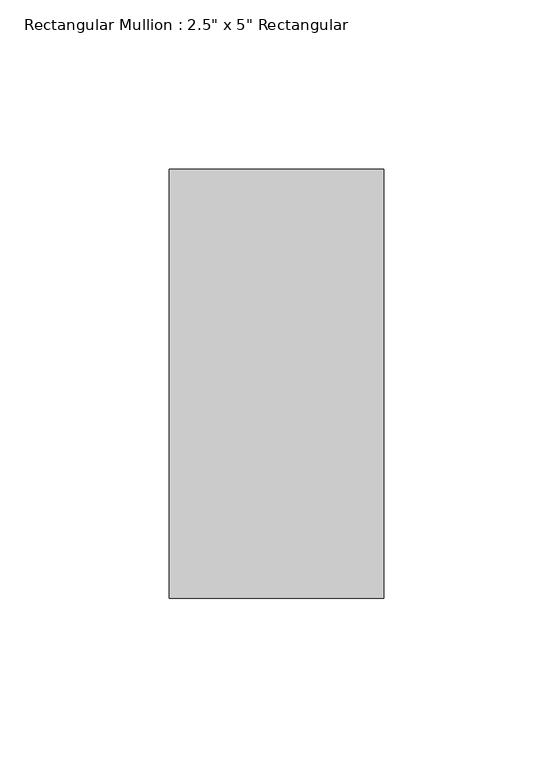
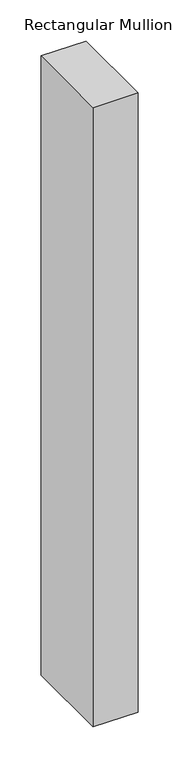
"""IFC4 building model written with IfcOpenShell, lengths in millimetres: member geometry."""

from ifc_helpers import new_model, si_unit, frame, origin, place, context, project, spatial, polyline, outline, extrude, source, transform, mapped, element, save


def member_84e9fdd5(model_context):
    return source(origin(), model_context, "Body", "SweptSolid", [
        extrude(outline(polyline([(31.75, 63.5), (31.75, -63.5), (-31.75, -63.5), (-31.75, 63.5), (31.75, 63.5)])), frame((0.0, 0.0, -920.75), z_axis=(0.0, 0.0, 1.0), x_axis=(1.0, 0.0, 0.0)), (0.0, 0.0, 1.0), 920.75),
    ])


if __name__ == "__main__":
    model = new_model("IFC4")
    model_context = context("Model", 3, world=origin())
    ifc_project = project(units=[si_unit("LENGTHUNIT", "METRE", prefix="MILLI")], contexts=[model_context])
    site = spatial("IfcSite", under=ifc_project)
    building = spatial("IfcBuilding", under=site)
    placement = place(None, origin())
    member_shape = member_84e9fdd5(model_context)
    element("IfcMember", 1, ObjectType="Rectangular Mullion : 2.5\" x 5\" Rectangular", at=placement, inside=building, context=model_context, shape_type="MappedRepresentation", body=[
        mapped(member_shape, transform((0.0, 0.0, 0.0), x_axis=(1.0, 0.0, 0.0), y_axis=(0.0, 1.0, 0.0), z_axis=(0.0, 0.0, 1.0))),
    ])
    save(model, "model.ifc")
